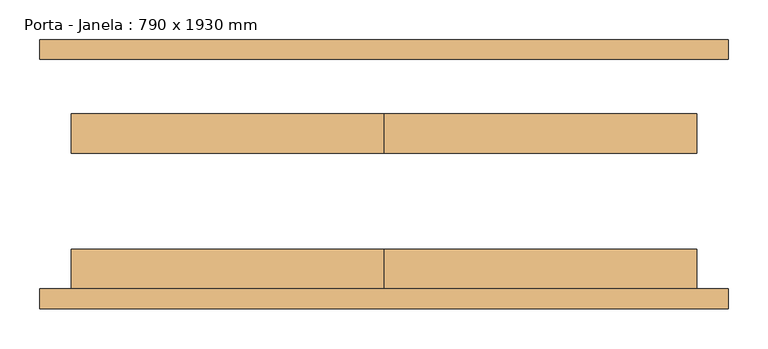
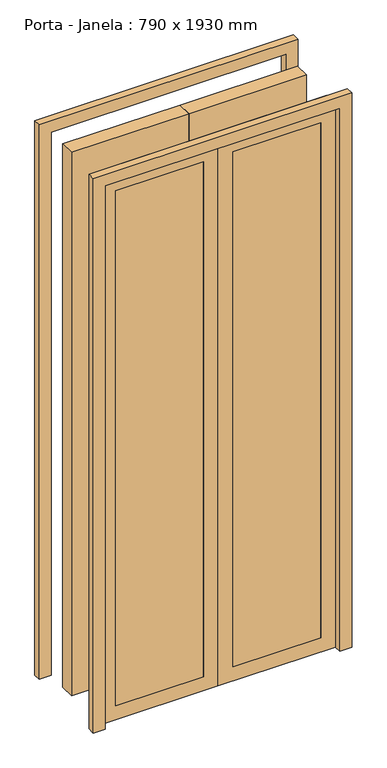
"""IFC4 building model written with IfcOpenShell, lengths in millimetres: door geometry, Porta - Janela : 790 x 1930 mm."""

from ifc_helpers import new_model, si_unit, frame, origin, origin_with_axes, place, context, project, spatial, polyline, outline, extrude, source, transform, mapped, element, save


def porta_janela_790_x_1930_mm_5820cb1f(model_context):
    return source(origin(), model_context, "Body", "SweptSolid", [
        extrude(outline(polyline([(1930.0, -395.0), (1930.0, 395.0), (0.0, 395.0), (0.0, 435.0), (1970.0, 435.0), (1970.0, -435.0), (0.0, -435.0), (0.0, -395.0), (1930.0, -395.0)])), frame((0.0, 145.0, 0.0), z_axis=(0.0, 1.0, 0.0), x_axis=(0.0, 0.0, 1.0)), (0.0, 0.0, 1.0), 25.0),
        extrude(outline(polyline([(1930.0, -395.0), (1930.0, 395.0), (0.0, 395.0), (0.0, 435.0), (1970.0, 435.0), (1970.0, -435.0), (0.0, -435.0), (0.0, -395.0), (1930.0, -395.0)])), frame((0.0, -170.0, 0.0), z_axis=(0.0, 1.0, 0.0), x_axis=(0.0, 0.0, 1.0)), (0.0, 0.0, 1.0), 25.0),
        extrude(outline(polyline([(50.0, -145.0), (50.0, -95.0), (345.0, -95.0), (345.0, -145.0), (50.0, -145.0)])), frame((0.0, 0.0, 50.0), z_axis=(0.0, 0.0, 1.0), x_axis=(1.0, 0.0, 0.0)), (0.0, 0.0, 1.0), 1830.0),
        extrude(outline(polyline([(-345.0, -145.0), (-345.0, -95.0), (-50.0, -95.0), (-50.0, -145.0), (-345.0, -145.0)])), frame((0.0, 0.0, 50.0), z_axis=(0.0, 0.0, 1.0), x_axis=(1.0, 0.0, 0.0)), (0.0, 0.0, 1.0), 1830.0),
        extrude(outline(polyline([(395.0, 76.2), (395.0, 26.2), (0.0, 26.2), (0.0, 76.2), (395.0, 76.2)])), origin_with_axes(), (0.0, 0.0, 1.0), 1930.0),
        extrude(outline(polyline([(0.0, 76.2), (0.0, 26.2), (-395.0, 26.2), (-395.0, 76.2), (0.0, 76.2)])), origin_with_axes(), (0.0, 0.0, 1.0), 1930.0),
        extrude(outline(polyline([(1930.0, 0.0), (0.0, 0.0), (0.0, 395.0), (1930.0, 395.0), (1930.0, 0.0)]), holes=[polyline([(1880.0, 50.0), (1880.0, 345.0), (50.0, 345.0), (50.0, 50.0), (1880.0, 50.0)])]), frame((0.0, -145.0, 0.0), z_axis=(0.0, 1.0, 0.0), x_axis=(0.0, 0.0, 1.0)), (0.0, 0.0, 1.0), 50.0),
        extrude(outline(polyline([(1930.0, -395.0), (0.0, -395.0), (0.0, 0.0), (1930.0, 0.0), (1930.0, -395.0)]), holes=[polyline([(1880.0, -345.0), (1880.0, -50.0), (50.0, -50.0), (50.0, -345.0), (1880.0, -345.0)])]), frame((0.0, -145.0, 0.0), z_axis=(0.0, 1.0, 0.0), x_axis=(0.0, 0.0, 1.0)), (0.0, 0.0, 1.0), 50.0),
    ])


if __name__ == "__main__":
    model = new_model("IFC4")
    model_context = context("Model", 3, world=origin())
    ifc_project = project(units=[si_unit("LENGTHUNIT", "METRE", prefix="MILLI")], contexts=[model_context])
    site = spatial("IfcSite", under=ifc_project)
    building = spatial("IfcBuilding", under=site)
    placement = place(None, origin())
    porta_janela_790_x_1930_mm_shape = porta_janela_790_x_1930_mm_5820cb1f(model_context)
    element("IfcDoor", 1, ObjectType="Porta - Janela : 790 x 1930 mm", at=placement, inside=building, context=model_context, shape_type="MappedRepresentation", body=[
        mapped(porta_janela_790_x_1930_mm_shape, transform((0.0, 0.0, 0.0), x_axis=(1.0, 0.0, 0.0), y_axis=(0.0, 1.0, 0.0), z_axis=(0.0, 0.0, 1.0))),
    ])
    save(model, "model.ifc")
